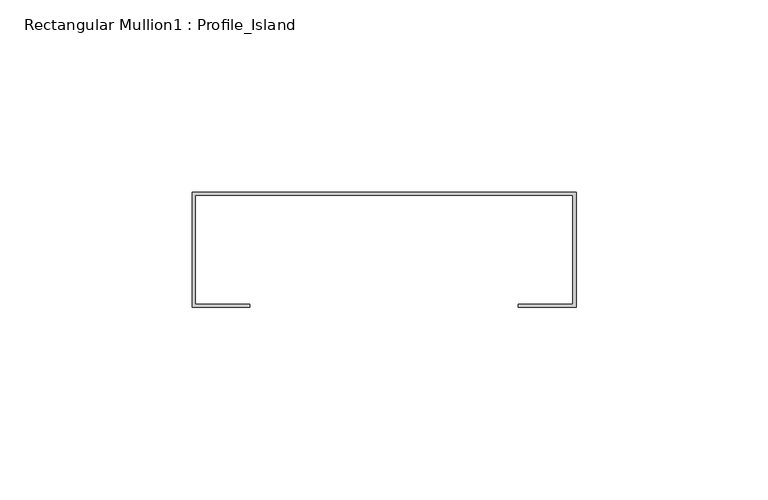
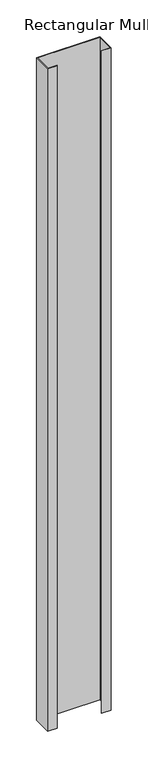
"""IFC4 building model written with IfcOpenShell, lengths in millimetres: member geometry, Rectangular Mullion1 : Profile_Island."""

from ifc_helpers import new_model, si_unit, frame, origin, place, context, project, spatial, polyline, outline, extrude, source, transform, mapped, element, save


def rectangular_mullion1_profile_island_8d496c02(model_context):
    return source(origin(), model_context, "Body", "SweptSolid", [
        extrude(outline(polyline([(50.0, 32.0), (50.0, 2.0), (35.0, 2.0), (35.0, 2.8), (49.2, 2.8), (49.2, 31.2), (-49.2, 31.2), (-49.2, 2.8), (-35.0, 2.8), (-35.0, 2.0), (-50.0, 2.0), (-50.0, 32.0), (50.0, 32.0)])), frame((0.0, 0.0, -1100.0), z_axis=(0.0, 0.0, 1.0), x_axis=(1.0, 0.0, 0.0)), (0.0, 0.0, 1.0), 1100.0),
    ])


if __name__ == "__main__":
    model = new_model("IFC4")
    model_context = context("Model", 3, world=origin())
    ifc_project = project(units=[si_unit("LENGTHUNIT", "METRE", prefix="MILLI")], contexts=[model_context])
    site = spatial("IfcSite", under=ifc_project)
    building = spatial("IfcBuilding", under=site)
    placement = place(None, origin())
    rectangular_mullion1_profile_island_shape = rectangular_mullion1_profile_island_8d496c02(model_context)
    element("IfcMember", 1, ObjectType="Rectangular Mullion1 : Profile_Island", at=placement, inside=building, context=model_context, shape_type="MappedRepresentation", body=[
        mapped(rectangular_mullion1_profile_island_shape, transform((0.0, 0.0, 0.0), x_axis=(1.0, 0.0, 0.0), y_axis=(0.0, 1.0, 0.0), z_axis=(0.0, 0.0, 1.0))),
    ])
    save(model, "model.ifc")
